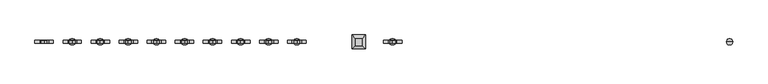
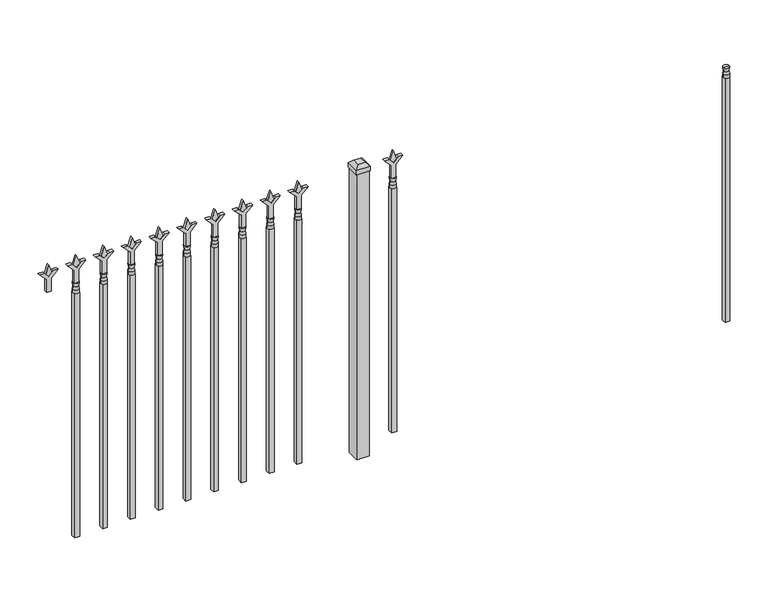
"""IFC4 building model written with IfcOpenShell, lengths in millimetres: railing geometry."""

import ifcopenshell
import ifcopenshell.guid

model = None  # the IFC model being written
_history = None  # IfcOwnerHistory: only IFC2X3 demands one
_inside = {}  # id of a spatial element -> (the spatial element, [elements in it])
_under = {}  # id of a project, library or spatial element -> (it, [spatial elements below it])
_declared = {}  # id of a project -> (the project, [libraries it declares])
_typed = {}  # id of a type object -> (the type object, [elements of that type])
_made_of = {}  # id of a material, layer set ... -> (it, [elements and type objects made of it])


def new_model(schema):
    """Start an empty IFC model of exactly this schema.

    Asked for "IFC4X3", IfcOpenShell would pick the latest addendum, in which some entities
    have other attributes; the version numbers below select the first issue.
    IFC2X3 requires an IfcOwnerHistory on every rooted entity: one is made here for all.
    """
    global model, _history
    if schema == "IFC4X3":
        model = ifcopenshell.file(schema_version=(4, 3, 0, 0))
    else:
        model = ifcopenshell.file(schema=schema)
    _inside.clear()
    _under.clear()
    _declared.clear()
    _typed.clear()
    _made_of.clear()
    _history = None
    if model.schema == "IFC2X3":
        org = make("IfcOrganization", Name="unknown")
        user = make(
            "IfcPersonAndOrganization",
            ThePerson=make("IfcPerson", FamilyName="unknown"),
            TheOrganization=org,
        )
        app = make(
            "IfcApplication",
            ApplicationDeveloper=org,
            Version="unknown",
            ApplicationFullName="unknown",
            ApplicationIdentifier="unknown",
        )
        _history = make(
            "IfcOwnerHistory",
            OwningUser=user,
            OwningApplication=app,
            ChangeAction="ADDED",
            CreationDate=0,
        )
    return model


def make(cls, **values):
    """One entity of the class cls with the attributes given. An attribute that is None is left unset."""
    return model.create_entity(
        cls, **{name: value for name, value in values.items() if value is not None}
    )


def rooted(cls, **values):
    """An entity with a GlobalId (a new one), such as an element, a storey or a relation."""
    return make(cls, GlobalId=ifcopenshell.guid.new(), OwnerHistory=_history, **values)


def si_unit(unit_type, name, prefix=None):
    """IfcSIUnit, for example si_unit("LENGTHUNIT", "METRE", prefix="MILLI")."""
    return make("IfcSIUnit", UnitType=unit_type, Prefix=prefix, Name=name)


def assignment(units):
    """IfcUnitAssignment: the units of a project."""
    return None if units is None else make("IfcUnitAssignment", Units=units)


def point(xyz):
    """IfcCartesianPoint."""
    return None if xyz is None else make("IfcCartesianPoint", Coordinates=xyz)


def direction(xyz):
    """IfcDirection."""
    return None if xyz is None else make("IfcDirection", DirectionRatios=xyz)


def frame(location, z_axis=None, x_axis=None):
    """IfcAxis2Placement3D, a coordinate frame: its origin and axes. An axis left out is left unset."""
    return make(
        "IfcAxis2Placement3D",
        Location=point(location),
        Axis=direction(z_axis),
        RefDirection=direction(x_axis),
    )


def origin():
    """The frame at (0, 0, 0) with its axes left unset."""
    return frame((0.0, 0.0, 0.0))


def origin_with_axes():
    """The frame at (0, 0, 0) with the z axis (0, 0, 1) and the x axis (1, 0, 0) written out."""
    return frame((0.0, 0.0, 0.0), z_axis=(0.0, 0.0, 1.0), x_axis=(1.0, 0.0, 0.0))


def place(relative_to, where):
    """IfcLocalPlacement: puts the frame where relative to a parent placement (None: the world)."""
    return make(
        "IfcLocalPlacement", PlacementRelTo=relative_to, RelativePlacement=where
    )


def context(
    kind, dimensions, precision=None, world=None, true_north=None, identifier=None
):
    """IfcGeometricRepresentationContext, for example the 3D "Model" context."""
    return make(
        "IfcGeometricRepresentationContext",
        ContextIdentifier=identifier,
        ContextType=kind,
        CoordinateSpaceDimension=dimensions,
        Precision=precision,
        WorldCoordinateSystem=world,
        TrueNorth=true_north,
    )


def project(units=None, contexts=None):
    """IfcProject with its units and contexts."""
    return rooted(
        "IfcProject",
        Name="project",
        RepresentationContexts=contexts,
        UnitsInContext=assignment(units),
    )


def spatial(cls, under=None, at=None, **own):
    """A site, building, storey or space (cls), placed at a placement, below another one or the project."""
    s = rooted(cls, ObjectPlacement=at, **own)
    if under is not None:
        _under.setdefault(under.id(), (under, []))[1].append(s)
    return s


def polyline(points):
    """IfcPolyline through the points."""
    return make("IfcPolyline", Points=[point(p) for p in points])


def circle_curve(where, radius):
    """IfcCircle in the frame where."""
    return make("IfcCircle", Position=where, Radius=radius)


def outline(outer, holes=None, kind="AREA"):
    """IfcArbitraryClosedProfileDef: a profile drawn as a closed curve; with holes, ...WithVoids."""
    if holes is None:
        return make("IfcArbitraryClosedProfileDef", ProfileType=kind, OuterCurve=outer)
    return make(
        "IfcArbitraryProfileDefWithVoids",
        ProfileType=kind,
        OuterCurve=outer,
        InnerCurves=holes,
    )


def extrude(swept, where, along, depth):
    """IfcExtrudedAreaSolid: the profile swept, set in the frame where, extruded along a direction by depth."""
    return make(
        "IfcExtrudedAreaSolid",
        SweptArea=swept,
        Position=where,
        ExtrudedDirection=direction(along),
        Depth=depth,
    )


def faces_of(points, faces, orient=None, outer=None):
    """IfcFace entities. A face is a list of loops; a loop is a list of indices into points, from 0.

    orient and outer hold one flag for each loop. By default every Orientation is true, the
    first loop of a face is its IfcFaceOuterBound and the others are IfcFaceBound.
    """
    made = []
    for i, loops in enumerate(faces):
        bounds = []
        for j, loop in enumerate(loops):
            is_outer = j == 0 if outer is None else outer[i][j]
            bounds.append(
                make(
                    "IfcFaceOuterBound" if is_outer else "IfcFaceBound",
                    Bound=make("IfcPolyLoop", Polygon=[points[k] for k in loop]),
                    Orientation=True if orient is None else orient[i][j],
                )
            )
        made.append(make("IfcFace", Bounds=bounds))
    return made


def faceted_brep(points, faces, orient=None, outer=None, voids=None):
    """IfcFacetedBrep: a solid bounded by flat faces; with voids (closed shells), ...WithVoids."""
    shared = [point(p) for p in points]
    hull = make("IfcClosedShell", CfsFaces=faces_of(shared, faces, orient, outer))
    if voids is None:
        return make("IfcFacetedBrep", Outer=hull)
    return make(
        "IfcFacetedBrepWithVoids",
        Outer=hull,
        Voids=[
            make(cls, CfsFaces=faces_of(shared, fs, o, b)) for cls, fs, o, b in voids
        ],
    )


def shape(context_of_items, identifier, shape_type, items):
    """IfcShapeRepresentation: the items that make up one representation, for example the "Body"."""
    return make(
        "IfcShapeRepresentation",
        ContextOfItems=context_of_items,
        RepresentationIdentifier=identifier,
        RepresentationType=shape_type,
        Items=items,
    )


def source(mapping_origin, context_of_items, identifier, shape_type, items):
    """IfcRepresentationMap: a shape defined once, which mapped items show again and again."""
    return make(
        "IfcRepresentationMap",
        MappingOrigin=mapping_origin,
        MappedRepresentation=shape(context_of_items, identifier, shape_type, items),
    )


def transform(
    local_origin,
    x_axis=None,
    y_axis=None,
    z_axis=None,
    scale=None,
    scale2=None,
    scale3=None,
    uniform=True,
):
    """IfcCartesianTransformationOperator3D, or its non-uniform kind. x_axis, y_axis, z_axis: its Axis1, 2, 3."""
    if uniform:
        return make(
            "IfcCartesianTransformationOperator3D",
            Axis1=direction(x_axis),
            Axis2=direction(y_axis),
            LocalOrigin=point(local_origin),
            Scale=scale,
            Axis3=direction(z_axis),
        )
    return make(
        "IfcCartesianTransformationOperator3DnonUniform",
        Axis1=direction(x_axis),
        Axis2=direction(y_axis),
        LocalOrigin=point(local_origin),
        Scale=scale,
        Axis3=direction(z_axis),
        Scale2=scale2,
        Scale3=scale3,
    )


def mapped(mapping_source, mapping_target):
    """IfcMappedItem: shows the shape of a source again, moved by a transform."""
    return make(
        "IfcMappedItem", MappingSource=mapping_source, MappingTarget=mapping_target
    )


def made_of(thing, what):
    """Note that an element or type object is made of a material, layer set ...; save() writes the relation."""
    if what is not None:
        _made_of.setdefault(what.id(), (what, []))[1].append(thing)
    return thing


def element(
    cls,
    number,
    at=None,
    inside=None,
    cuts=None,
    type_object=None,
    material=None,
    context=None,
    identifier="Body",
    shape_type=None,
    held_by="IfcProductDefinitionShape",
    body=None,
    shapes=None,
    **own,
):
    """One element of the class cls, such as IfcWall. Its Tag is "e" and its number.

    at: its placement. inside: the storey or other place that contains it. cuts: it is an
    opening in that element (IfcRelVoidsElement). A single representation is given by context,
    identifier, shape_type and body (its items); several are given by shapes. held_by: the class
    of the entity that holds the representations. save() writes the other relations.
    """
    e = rooted(cls, Tag="e%d" % number, ObjectPlacement=at, **own)
    if body is not None:
        shapes = [shape(context, identifier, shape_type, body)]
    if shapes is not None:
        e.Representation = make(held_by, Representations=shapes)
    if inside is not None:
        _inside.setdefault(inside.id(), (inside, []))[1].append(e)
    if cuts is not None:
        rooted(
            "IfcRelVoidsElement", RelatingBuildingElement=cuts, RelatedOpeningElement=e
        )
    if type_object is not None:
        _typed.setdefault(type_object.id(), (type_object, []))[1].append(e)
    return made_of(e, material)


def aggregate(whole, parts):
    """IfcRelAggregates: a whole, such as a stair, and the parts it consists of."""
    return rooted("IfcRelAggregates", RelatingObject=whole, RelatedObjects=parts)


def save(model, path):
    """Write the relations noted so far, then the file.

    IfcRelAggregates (storeys below a building ...), IfcRelContainedInSpatialStructure (elements
    in a storey), IfcRelDefinesByType, IfcRelAssociatesMaterial and IfcRelDeclares: one each for
    every whole, place, type object, material and project.
    """
    for whole, parts in _under.values():
        aggregate(whole, parts)
    for where, things in _inside.values():
        rooted(
            "IfcRelContainedInSpatialStructure",
            RelatedElements=things,
            RelatingStructure=where,
        )
    for kind, things in _typed.values():
        rooted("IfcRelDefinesByType", RelatedObjects=things, RelatingType=kind)
    for what, things in _made_of.values():
        rooted("IfcRelAssociatesMaterial", RelatedObjects=things, RelatingMaterial=what)
    for by, libraries in _declared.values():
        rooted("IfcRelDeclares", RelatingContext=by, RelatedDefinitions=libraries)
    model.write(path)


def plane_surface(at):
    """IfcPlane: the flat surface through the origin of the frame at, square to its z axis."""
    return make("IfcPlane", Position=at)


def cylinder_surface(at, radius):
    """IfcCylindricalSurface: all points at the distance radius from the z axis of the frame at."""
    return make("IfcCylindricalSurface", Position=at, Radius=radius)


def revolved_surface(curve, axis_point, axis_direction):
    """IfcSurfaceOfRevolution: the curve turned about the line through axis_point along axis_direction."""
    return make(
        "IfcSurfaceOfRevolution",
        SweptCurve=make("IfcArbitraryOpenProfileDef", ProfileType="CURVE", Curve=curve),
        AxisPosition=make("IfcAxis1Placement", Location=point(axis_point), Axis=direction(axis_direction)),
    )


def advanced_brep(points, edges, surfaces, faces):
    """IfcAdvancedBrep: a solid bounded by faces that lie on surfaces and meet in shared edges.

    An edge is (start, end): straight between two places in points (the first is 0);
    or (start, end, curve); or (start, end, curve, False) where it runs against its curve.
    A face is (place in surfaces, loops), or (place, loops, False) where it looks against
    its surface's normal. A loop lists edges by number (the first is 1), with a minus sign
    where the edge is run from its end to its start. The first loop is the outer one.
    """
    corners = [point(p) for p in points]
    vertices = [make("IfcVertexPoint", VertexGeometry=c) for c in corners]
    made = []
    for start, end, *more in edges:
        made.append(
            make(
                "IfcEdgeCurve",
                EdgeStart=vertices[start],
                EdgeEnd=vertices[end],
                EdgeGeometry=more[0] if more else make("IfcPolyline", Points=[corners[start], corners[end]]),
                SameSense=more[1] if len(more) > 1 else True,
            )
        )
    hull = []
    for where, loops, *sense in faces:
        bounds = []
        for j, loop in enumerate(loops):
            ring = [make("IfcOrientedEdge", EdgeElement=made[abs(k) - 1], Orientation=k > 0) for k in loop]
            bounds.append(
                make(
                    "IfcFaceOuterBound" if j == 0 else "IfcFaceBound",
                    Bound=make("IfcEdgeLoop", EdgeList=ring),
                    Orientation=True,
                )
            )
        hull.append(make("IfcAdvancedFace", Bounds=bounds, FaceSurface=surfaces[where], SameSense=sense[0] if sense else True))
    return make("IfcAdvancedBrep", Outer=make("IfcClosedShell", CfsFaces=hull))


def railing_f10aff00(model_context):
    return source(origin(), model_context, "Body", "SolidModel", [
        advanced_brep(
        [(-76603.574337, -3073.6570174, 1079.5), (-76627.386837, -3073.6570174, 1079.5), (-76627.386837, -3073.6570174, 1066.8), (-76603.574337, -3073.6570174, 1066.8), (-76605.7796688, -3073.6570174, 1092.0070585), (-76625.1815051, -3073.6570174, 1092.0070585), (-76603.574337, -3073.6570174, 1108.075), (-76627.386837, -3073.6570174, 1108.075), (-76615.480587, -3073.6570174, 1108.075), (-76615.480587, -3073.6570174, 1066.8)],
        [
            (0, 1, circle_curve(frame((-76615.480587, -3073.6570174, 1079.5), z_axis=(0.0, 0.0, -1.0), x_axis=(-1.0, 0.0, 0.0)), 11.90625)),
            (1, 2),
            (2, 3, circle_curve(frame((-76615.480587, -3073.6570174, 1066.8), z_axis=(0.0, 0.0, 1.0), x_axis=(-1.0, 0.0, 0.0)), 11.90625)),
            (3, 0),
            (1, 0, circle_curve(frame((-76615.480587, -3073.6570174, 1079.5), z_axis=(0.0, 0.0, -1.0), x_axis=(-1.0, 0.0, 0.0)), 11.90625)),
            (3, 2, circle_curve(frame((-76615.480587, -3073.6570174, 1066.8), z_axis=(0.0, 0.0, 1.0), x_axis=(-1.0, 0.0, 0.0)), 11.90625)),
            (4, 5, circle_curve(frame((-76615.480587, -3073.6570174, 1092.0070585), z_axis=(0.0, 0.0, -1.0), x_axis=(-1.0, 0.0, 0.0)), 9.7009181)),
            (5, 1),
            (0, 4),
            (5, 4, circle_curve(frame((-76615.480587, -3073.6570174, 1092.0070585), z_axis=(0.0, 0.0, -1.0), x_axis=(-1.0, 0.0, 0.0)), 9.7009181)),
            (6, 7, circle_curve(frame((-76615.480587, -3073.6570174, 1108.075), z_axis=(0.0, 0.0, -1.0), x_axis=(-1.0, 0.0, 0.0)), 11.90625)),
            (7, 5),
            (4, 6),
            (7, 6, circle_curve(frame((-76615.480587, -3073.6570174, 1108.075), z_axis=(0.0, 0.0, -1.0), x_axis=(-1.0, 0.0, 0.0)), 11.90625)),
            (8, 7),
            (6, 8),
            (2, 9),
            (9, 3),
        ],
        [
            cylinder_surface(frame((-76615.480587, -3073.6570174, 1066.8), z_axis=(0.0, 0.0, 1.0), x_axis=(-1.0, 0.0, 0.0)), 11.90625),
            revolved_surface(polyline([(-76627.386837, -3073.6570174, 1079.5), (-76625.1815051, -3073.6570174, 1092.0070585)]), (-76615.480587, -3073.6570174, 1066.8), (0.0, 0.0, 1.0)),
            revolved_surface(polyline([(-76625.1815051, -3073.6570174, 1092.0070585), (-76627.386837, -3073.6570174, 1108.075)]), (-76615.480587, -3073.6570174, 1066.8), (0.0, 0.0, 1.0)),
            plane_surface(frame((-76615.480587, -3073.6570174, 1108.075), z_axis=(0.0, 0.0, 1.0), x_axis=(-1.0, 0.0, 0.0))),
            plane_surface(frame((-76615.480587, -3073.6570174, 1066.8), z_axis=(0.0, 0.0, -1.0), x_axis=(-1.0, 0.0, 0.0))),
        ],
        [
            (0, [[1, 2, 3, 4]]),
            (0, [[5, -4, 6, -2]]),
            (1, [[7, 8, -1, 9]]),
            (1, [[10, -9, -5, -8]]),
            (2, [[11, 12, -7, 13]]),
            (2, [[14, -13, -10, -12]]),
            (3, [[15, -11, 16]]),
            (3, [[-16, -14, -15]]),
            (4, [[-3, 17, 18]]),
            (4, [[-6, -18, -17]]),
        ],
    ),
        extrude(outline(polyline([(-76625.005587, -3064.1320174), (-76605.955587, -3064.1320174), (-76605.955587, -3083.1820174), (-76625.005587, -3083.1820174), (-76625.005587, -3064.1320174)])), frame((0.0, 0.0, 50.8), z_axis=(0.0, 0.0, 1.0), x_axis=(1.0, 0.0, 0.0)), (0.0, 0.0, 1.0), 1016.0),
        extrude(outline(polyline([(1183.48125, -77914.849337), (1219.2, -77926.755587), (1183.48125, -77938.661837), (1171.575, -77926.755587), (1183.48125, -77914.849337)])), frame((0.0, -3078.4195174, 0.0), z_axis=(0.0, 1.0, 0.0), x_axis=(0.0, 0.0, 1.0)), (0.0, 0.0, 1.0), 9.525),
        extrude(outline(polyline([(1108.075, -77918.024337), (1162.3457378, -77918.024337), (1189.5355122, -77890.8345625), (1189.5355122, -77908.7950747), (1171.575, -77926.755587), (1189.5355122, -77944.7160992), (1189.5355122, -77962.6766114), (1162.3457378, -77935.486837), (1108.075, -77935.486837), (1108.075, -77918.024337)])), frame((0.0, -3080.0070174, 0.0), z_axis=(0.0, 1.0, 0.0), x_axis=(0.0, 0.0, 1.0)), (0.0, 0.0, 1.0), 12.7),
        advanced_brep(
        [(-77914.849337, -3073.6570174, 1079.5), (-77938.661837, -3073.6570174, 1079.5), (-77938.661837, -3073.6570174, 1066.8), (-77914.849337, -3073.6570174, 1066.8), (-77917.0546688, -3073.6570174, 1092.0070585), (-77936.4565051, -3073.6570174, 1092.0070585), (-77914.849337, -3073.6570174, 1108.075), (-77938.661837, -3073.6570174, 1108.075), (-77926.755587, -3073.6570174, 1108.075), (-77926.755587, -3073.6570174, 1066.8)],
        [
            (0, 1, circle_curve(frame((-77926.755587, -3073.6570174, 1079.5), z_axis=(0.0, 0.0, -1.0), x_axis=(-1.0, 0.0, 0.0)), 11.90625)),
            (1, 2),
            (2, 3, circle_curve(frame((-77926.755587, -3073.6570174, 1066.8), z_axis=(0.0, 0.0, 1.0), x_axis=(-1.0, 0.0, 0.0)), 11.90625)),
            (3, 0),
            (1, 0, circle_curve(frame((-77926.755587, -3073.6570174, 1079.5), z_axis=(0.0, 0.0, -1.0), x_axis=(-1.0, 0.0, 0.0)), 11.90625)),
            (3, 2, circle_curve(frame((-77926.755587, -3073.6570174, 1066.8), z_axis=(0.0, 0.0, 1.0), x_axis=(-1.0, 0.0, 0.0)), 11.90625)),
            (4, 5, circle_curve(frame((-77926.755587, -3073.6570174, 1092.0070585), z_axis=(0.0, 0.0, -1.0), x_axis=(-1.0, 0.0, 0.0)), 9.7009181)),
            (5, 1),
            (0, 4),
            (5, 4, circle_curve(frame((-77926.755587, -3073.6570174, 1092.0070585), z_axis=(0.0, 0.0, -1.0), x_axis=(-1.0, 0.0, 0.0)), 9.7009181)),
            (6, 7, circle_curve(frame((-77926.755587, -3073.6570174, 1108.075), z_axis=(0.0, 0.0, -1.0), x_axis=(-1.0, 0.0, 0.0)), 11.90625)),
            (7, 5),
            (4, 6),
            (7, 6, circle_curve(frame((-77926.755587, -3073.6570174, 1108.075), z_axis=(0.0, 0.0, -1.0), x_axis=(-1.0, 0.0, 0.0)), 11.90625)),
            (8, 7),
            (6, 8),
            (2, 9),
            (9, 3),
        ],
        [
            cylinder_surface(frame((-77926.755587, -3073.6570174, 1066.8), z_axis=(0.0, 0.0, 1.0), x_axis=(-1.0, 0.0, 0.0)), 11.90625),
            revolved_surface(polyline([(-77938.661837, -3073.6570174, 1079.5), (-77936.4565051, -3073.6570174, 1092.0070585)]), (-77926.755587, -3073.6570174, 1066.8), (0.0, 0.0, 1.0)),
            revolved_surface(polyline([(-77936.4565051, -3073.6570174, 1092.0070585), (-77938.661837, -3073.6570174, 1108.075)]), (-77926.755587, -3073.6570174, 1066.8), (0.0, 0.0, 1.0)),
            plane_surface(frame((-77926.755587, -3073.6570174, 1108.075), z_axis=(0.0, 0.0, 1.0), x_axis=(-1.0, 0.0, 0.0))),
            plane_surface(frame((-77926.755587, -3073.6570174, 1066.8), z_axis=(0.0, 0.0, -1.0), x_axis=(-1.0, 0.0, 0.0))),
        ],
        [
            (0, [[1, 2, 3, 4]]),
            (0, [[5, -4, 6, -2]]),
            (1, [[7, 8, -1, 9]]),
            (1, [[10, -9, -5, -8]]),
            (2, [[11, 12, -7, 13]]),
            (2, [[14, -13, -10, -12]]),
            (3, [[15, -11, 16]]),
            (3, [[-16, -14, -15]]),
            (4, [[-3, 17, 18]]),
            (4, [[-6, -18, -17]]),
        ],
    ),
        extrude(outline(polyline([(-77936.280587, -3064.1320174), (-77917.230587, -3064.1320174), (-77917.230587, -3083.1820174), (-77936.280587, -3083.1820174), (-77936.280587, -3064.1320174)])), frame((0.0, 0.0, 50.8), z_axis=(0.0, 0.0, 1.0), x_axis=(1.0, 0.0, 0.0)), (0.0, 0.0, 1.0), 1016.0),
        extrude(outline(polyline([(-78033.118087, -3048.2570174), (-78033.118087, -3099.0570174), (-78083.918087, -3099.0570174), (-78083.918087, -3048.2570174), (-78033.118087, -3048.2570174)])), origin_with_axes(), (0.0, 0.0, 1.0), 1187.45),
        faceted_brep([(-78085.505587, -3046.6695174, 1206.5), (-78085.505587, -3046.6695174, 1187.45), (-78085.505587, -3100.6445174, 1187.45), (-78085.505587, -3100.6445174, 1206.5), (-78072.805587, -3059.3695174, 1219.2), (-78072.805587, -3087.9445174, 1219.2), (-78031.530587, -3100.6445174, 1187.45), (-78031.530587, -3100.6445174, 1206.5), (-78044.230587, -3087.9445174, 1219.2), (-78031.530587, -3046.6695174, 1187.45), (-78031.530587, -3046.6695174, 1206.5), (-78044.230587, -3059.3695174, 1219.2)], [[[0, 1, 2, 3]], [[4, 0, 3, 5]], [[3, 2, 6, 7]], [[5, 3, 7, 8]], [[7, 6, 9, 10]], [[8, 7, 10, 11]], [[10, 9, 1, 0]], [[11, 10, 0, 4]], [[5, 8, 11, 4]], [[1, 9, 6, 2]]]),
        extrude(outline(polyline([(1183.48125, -78287.6472536), (1219.2, -78299.5535036), (1183.48125, -78311.4597536), (1171.575, -78299.5535036), (1183.48125, -78287.6472536)])), frame((0.0, -3078.4195174, 0.0), z_axis=(0.0, 1.0, 0.0), x_axis=(0.0, 0.0, 1.0)), (0.0, 0.0, 1.0), 9.525),
        extrude(outline(polyline([(1108.075, -78290.8222536), (1162.3457378, -78290.8222536), (1189.5355122, -78263.6324791), (1189.5355122, -78281.5929914), (1171.575, -78299.5535036), (1189.5355122, -78317.5140159), (1189.5355122, -78335.4745281), (1162.3457378, -78308.2847536), (1108.075, -78308.2847536), (1108.075, -78290.8222536)])), frame((0.0, -3080.0070174, 0.0), z_axis=(0.0, 1.0, 0.0), x_axis=(0.0, 0.0, 1.0)), (0.0, 0.0, 1.0), 12.7),
        advanced_brep(
        [(-78287.6472536, -3073.6570174, 1079.5), (-78311.4597536, -3073.6570174, 1079.5), (-78311.4597536, -3073.6570174, 1066.8), (-78287.6472536, -3073.6570174, 1066.8), (-78289.8525855, -3073.6570174, 1092.0070585), (-78309.2544218, -3073.6570174, 1092.0070585), (-78287.6472536, -3073.6570174, 1108.075), (-78311.4597536, -3073.6570174, 1108.075), (-78299.5535036, -3073.6570174, 1108.075), (-78299.5535036, -3073.6570174, 1066.8)],
        [
            (0, 1, circle_curve(frame((-78299.5535036, -3073.6570174, 1079.5), z_axis=(0.0, 0.0, -1.0), x_axis=(-1.0, 0.0, 0.0)), 11.90625)),
            (1, 2),
            (2, 3, circle_curve(frame((-78299.5535036, -3073.6570174, 1066.8), z_axis=(0.0, 0.0, 1.0), x_axis=(-1.0, 0.0, 0.0)), 11.90625)),
            (3, 0),
            (1, 0, circle_curve(frame((-78299.5535036, -3073.6570174, 1079.5), z_axis=(0.0, 0.0, -1.0), x_axis=(-1.0, 0.0, 0.0)), 11.90625)),
            (3, 2, circle_curve(frame((-78299.5535036, -3073.6570174, 1066.8), z_axis=(0.0, 0.0, 1.0), x_axis=(-1.0, 0.0, 0.0)), 11.90625)),
            (4, 5, circle_curve(frame((-78299.5535036, -3073.6570174, 1092.0070585), z_axis=(0.0, 0.0, -1.0), x_axis=(-1.0, 0.0, 0.0)), 9.7009181)),
            (5, 1),
            (0, 4),
            (5, 4, circle_curve(frame((-78299.5535036, -3073.6570174, 1092.0070585), z_axis=(0.0, 0.0, -1.0), x_axis=(-1.0, 0.0, 0.0)), 9.7009181)),
            (6, 7, circle_curve(frame((-78299.5535036, -3073.6570174, 1108.075), z_axis=(0.0, 0.0, -1.0), x_axis=(-1.0, 0.0, 0.0)), 11.90625)),
            (7, 5),
            (4, 6),
            (7, 6, circle_curve(frame((-78299.5535036, -3073.6570174, 1108.075), z_axis=(0.0, 0.0, -1.0), x_axis=(-1.0, 0.0, 0.0)), 11.90625)),
            (8, 7),
            (6, 8),
            (2, 9),
            (9, 3),
        ],
        [
            cylinder_surface(frame((-78299.5535036, -3073.6570174, 1066.8), z_axis=(0.0, 0.0, 1.0), x_axis=(-1.0, 0.0, 0.0)), 11.90625),
            revolved_surface(polyline([(-78311.4597536, -3073.6570174, 1079.5), (-78309.2544218, -3073.6570174, 1092.0070585)]), (-78299.5535036, -3073.6570174, 1066.8), (0.0, 0.0, 1.0)),
            revolved_surface(polyline([(-78309.2544218, -3073.6570174, 1092.0070585), (-78311.4597536, -3073.6570174, 1108.075)]), (-78299.5535036, -3073.6570174, 1066.8), (0.0, 0.0, 1.0)),
            plane_surface(frame((-78299.5535036, -3073.6570174, 1108.075), z_axis=(0.0, 0.0, 1.0), x_axis=(-1.0, 0.0, 0.0))),
            plane_surface(frame((-78299.5535036, -3073.6570174, 1066.8), z_axis=(0.0, 0.0, -1.0), x_axis=(-1.0, 0.0, 0.0))),
        ],
        [
            (0, [[1, 2, 3, 4]]),
            (0, [[5, -4, 6, -2]]),
            (1, [[7, 8, -1, 9]]),
            (1, [[10, -9, -5, -8]]),
            (2, [[11, 12, -7, 13]]),
            (2, [[14, -13, -10, -12]]),
            (3, [[15, -11, 16]]),
            (3, [[-16, -14, -15]]),
            (4, [[-3, 17, 18]]),
            (4, [[-6, -18, -17]]),
        ],
    ),
        extrude(outline(polyline([(-78309.0785036, -3064.1320174), (-78290.0285036, -3064.1320174), (-78290.0285036, -3083.1820174), (-78309.0785036, -3083.1820174), (-78309.0785036, -3064.1320174)])), frame((0.0, 0.0, 50.8), z_axis=(0.0, 0.0, 1.0), x_axis=(1.0, 0.0, 0.0)), (0.0, 0.0, 1.0), 1016.0),
        extrude(outline(polyline([(1183.48125, -78396.9201703), (1219.2, -78408.8264203), (1183.48125, -78420.7326703), (1171.575, -78408.8264203), (1183.48125, -78396.9201703)])), frame((0.0, -3078.4195174, 0.0), z_axis=(0.0, 1.0, 0.0), x_axis=(0.0, 0.0, 1.0)), (0.0, 0.0, 1.0), 9.525),
        extrude(outline(polyline([(1108.075, -78400.0951703), (1162.3457378, -78400.0951703), (1189.5355122, -78372.9053958), (1189.5355122, -78390.8659081), (1171.575, -78408.8264203), (1189.5355122, -78426.7869325), (1189.5355122, -78444.7474448), (1162.3457378, -78417.5576703), (1108.075, -78417.5576703), (1108.075, -78400.0951703)])), frame((0.0, -3080.0070174, 0.0), z_axis=(0.0, 1.0, 0.0), x_axis=(0.0, 0.0, 1.0)), (0.0, 0.0, 1.0), 12.7),
        advanced_brep(
        [(-78396.9201703, -3073.6570174, 1079.5), (-78420.7326703, -3073.6570174, 1079.5), (-78420.7326703, -3073.6570174, 1066.8), (-78396.9201703, -3073.6570174, 1066.8), (-78399.1255022, -3073.6570174, 1092.0070585), (-78418.5273384, -3073.6570174, 1092.0070585), (-78396.9201703, -3073.6570174, 1108.075), (-78420.7326703, -3073.6570174, 1108.075), (-78408.8264203, -3073.6570174, 1108.075), (-78408.8264203, -3073.6570174, 1066.8)],
        [
            (0, 1, circle_curve(frame((-78408.8264203, -3073.6570174, 1079.5), z_axis=(0.0, 0.0, -1.0), x_axis=(-1.0, 0.0, 0.0)), 11.90625)),
            (1, 2),
            (2, 3, circle_curve(frame((-78408.8264203, -3073.6570174, 1066.8), z_axis=(0.0, 0.0, 1.0), x_axis=(-1.0, 0.0, 0.0)), 11.90625)),
            (3, 0),
            (1, 0, circle_curve(frame((-78408.8264203, -3073.6570174, 1079.5), z_axis=(0.0, 0.0, -1.0), x_axis=(-1.0, 0.0, 0.0)), 11.90625)),
            (3, 2, circle_curve(frame((-78408.8264203, -3073.6570174, 1066.8), z_axis=(0.0, 0.0, 1.0), x_axis=(-1.0, 0.0, 0.0)), 11.90625)),
            (4, 5, circle_curve(frame((-78408.8264203, -3073.6570174, 1092.0070585), z_axis=(0.0, 0.0, -1.0), x_axis=(-1.0, 0.0, 0.0)), 9.7009181)),
            (5, 1),
            (0, 4),
            (5, 4, circle_curve(frame((-78408.8264203, -3073.6570174, 1092.0070585), z_axis=(0.0, 0.0, -1.0), x_axis=(-1.0, 0.0, 0.0)), 9.7009181)),
            (6, 7, circle_curve(frame((-78408.8264203, -3073.6570174, 1108.075), z_axis=(0.0, 0.0, -1.0), x_axis=(-1.0, 0.0, 0.0)), 11.90625)),
            (7, 5),
            (4, 6),
            (7, 6, circle_curve(frame((-78408.8264203, -3073.6570174, 1108.075), z_axis=(0.0, 0.0, -1.0), x_axis=(-1.0, 0.0, 0.0)), 11.90625)),
            (8, 7),
            (6, 8),
            (2, 9),
            (9, 3),
        ],
        [
            cylinder_surface(frame((-78408.8264203, -3073.6570174, 1066.8), z_axis=(0.0, 0.0, 1.0), x_axis=(-1.0, 0.0, 0.0)), 11.90625),
            revolved_surface(polyline([(-78420.7326703, -3073.6570174, 1079.5), (-78418.5273384, -3073.6570174, 1092.0070585)]), (-78408.8264203, -3073.6570174, 1066.8), (0.0, 0.0, 1.0)),
            revolved_surface(polyline([(-78418.5273384, -3073.6570174, 1092.0070585), (-78420.7326703, -3073.6570174, 1108.075)]), (-78408.8264203, -3073.6570174, 1066.8), (0.0, 0.0, 1.0)),
            plane_surface(frame((-78408.8264203, -3073.6570174, 1108.075), z_axis=(0.0, 0.0, 1.0), x_axis=(-1.0, 0.0, 0.0))),
            plane_surface(frame((-78408.8264203, -3073.6570174, 1066.8), z_axis=(0.0, 0.0, -1.0), x_axis=(-1.0, 0.0, 0.0))),
        ],
        [
            (0, [[1, 2, 3, 4]]),
            (0, [[5, -4, 6, -2]]),
            (1, [[7, 8, -1, 9]]),
            (1, [[10, -9, -5, -8]]),
            (2, [[11, 12, -7, 13]]),
            (2, [[14, -13, -10, -12]]),
            (3, [[15, -11, 16]]),
            (3, [[-16, -14, -15]]),
            (4, [[-3, 17, 18]]),
            (4, [[-6, -18, -17]]),
        ],
    ),
        extrude(outline(polyline([(-78418.3514203, -3064.1320174), (-78399.3014203, -3064.1320174), (-78399.3014203, -3083.1820174), (-78418.3514203, -3083.1820174), (-78418.3514203, -3064.1320174)])), frame((0.0, 0.0, 50.8), z_axis=(0.0, 0.0, 1.0), x_axis=(1.0, 0.0, 0.0)), (0.0, 0.0, 1.0), 1016.0),
        extrude(outline(polyline([(1183.48125, -78506.193087), (1219.2, -78518.099337), (1183.48125, -78530.005587), (1171.575, -78518.099337), (1183.48125, -78506.193087)])), frame((0.0, -3078.4195174, 0.0), z_axis=(0.0, 1.0, 0.0), x_axis=(0.0, 0.0, 1.0)), (0.0, 0.0, 1.0), 9.525),
        extrude(outline(polyline([(1108.075, -78509.368087), (1162.3457378, -78509.368087), (1189.5355122, -78482.1783125), (1189.5355122, -78500.1388247), (1171.575, -78518.099337), (1189.5355122, -78536.0598492), (1189.5355122, -78554.0203614), (1162.3457378, -78526.830587), (1108.075, -78526.830587), (1108.075, -78509.368087)])), frame((0.0, -3080.0070174, 0.0), z_axis=(0.0, 1.0, 0.0), x_axis=(0.0, 0.0, 1.0)), (0.0, 0.0, 1.0), 12.7),
        advanced_brep(
        [(-78506.193087, -3073.6570174, 1079.5), (-78530.005587, -3073.6570174, 1079.5), (-78530.005587, -3073.6570174, 1066.8), (-78506.193087, -3073.6570174, 1066.8), (-78508.3984188, -3073.6570174, 1092.0070585), (-78527.8002551, -3073.6570174, 1092.0070585), (-78506.193087, -3073.6570174, 1108.075), (-78530.005587, -3073.6570174, 1108.075), (-78518.099337, -3073.6570174, 1108.075), (-78518.099337, -3073.6570174, 1066.8)],
        [
            (0, 1, circle_curve(frame((-78518.099337, -3073.6570174, 1079.5), z_axis=(0.0, 0.0, -1.0), x_axis=(-1.0, 0.0, 0.0)), 11.90625)),
            (1, 2),
            (2, 3, circle_curve(frame((-78518.099337, -3073.6570174, 1066.8), z_axis=(0.0, 0.0, 1.0), x_axis=(-1.0, 0.0, 0.0)), 11.90625)),
            (3, 0),
            (1, 0, circle_curve(frame((-78518.099337, -3073.6570174, 1079.5), z_axis=(0.0, 0.0, -1.0), x_axis=(-1.0, 0.0, 0.0)), 11.90625)),
            (3, 2, circle_curve(frame((-78518.099337, -3073.6570174, 1066.8), z_axis=(0.0, 0.0, 1.0), x_axis=(-1.0, 0.0, 0.0)), 11.90625)),
            (4, 5, circle_curve(frame((-78518.099337, -3073.6570174, 1092.0070585), z_axis=(0.0, 0.0, -1.0), x_axis=(-1.0, 0.0, 0.0)), 9.7009181)),
            (5, 1),
            (0, 4),
            (5, 4, circle_curve(frame((-78518.099337, -3073.6570174, 1092.0070585), z_axis=(0.0, 0.0, -1.0), x_axis=(-1.0, 0.0, 0.0)), 9.7009181)),
            (6, 7, circle_curve(frame((-78518.099337, -3073.6570174, 1108.075), z_axis=(0.0, 0.0, -1.0), x_axis=(-1.0, 0.0, 0.0)), 11.90625)),
            (7, 5),
            (4, 6),
            (7, 6, circle_curve(frame((-78518.099337, -3073.6570174, 1108.075), z_axis=(0.0, 0.0, -1.0), x_axis=(-1.0, 0.0, 0.0)), 11.90625)),
            (8, 7),
            (6, 8),
            (2, 9),
            (9, 3),
        ],
        [
            cylinder_surface(frame((-78518.099337, -3073.6570174, 1066.8), z_axis=(0.0, 0.0, 1.0), x_axis=(-1.0, 0.0, 0.0)), 11.90625),
            revolved_surface(polyline([(-78530.005587, -3073.6570174, 1079.5), (-78527.8002551, -3073.6570174, 1092.0070585)]), (-78518.099337, -3073.6570174, 1066.8), (0.0, 0.0, 1.0)),
            revolved_surface(polyline([(-78527.8002551, -3073.6570174, 1092.0070585), (-78530.005587, -3073.6570174, 1108.075)]), (-78518.099337, -3073.6570174, 1066.8), (0.0, 0.0, 1.0)),
            plane_surface(frame((-78518.099337, -3073.6570174, 1108.075), z_axis=(0.0, 0.0, 1.0), x_axis=(-1.0, 0.0, 0.0))),
            plane_surface(frame((-78518.099337, -3073.6570174, 1066.8), z_axis=(0.0, 0.0, -1.0), x_axis=(-1.0, 0.0, 0.0))),
        ],
        [
            (0, [[1, 2, 3, 4]]),
            (0, [[5, -4, 6, -2]]),
            (1, [[7, 8, -1, 9]]),
            (1, [[10, -9, -5, -8]]),
            (2, [[11, 12, -7, 13]]),
            (2, [[14, -13, -10, -12]]),
            (3, [[15, -11, 16]]),
            (3, [[-16, -14, -15]]),
            (4, [[-3, 17, 18]]),
            (4, [[-6, -18, -17]]),
        ],
    ),
        extrude(outline(polyline([(-78527.624337, -3064.1320174), (-78508.574337, -3064.1320174), (-78508.574337, -3083.1820174), (-78527.624337, -3083.1820174), (-78527.624337, -3064.1320174)])), frame((0.0, 0.0, 50.8), z_axis=(0.0, 0.0, 1.0), x_axis=(1.0, 0.0, 0.0)), (0.0, 0.0, 1.0), 1016.0),
        extrude(outline(polyline([(1183.48125, -78615.4660036), (1219.2, -78627.3722536), (1183.48125, -78639.2785036), (1171.575, -78627.3722536), (1183.48125, -78615.4660036)])), frame((0.0, -3078.4195174, 0.0), z_axis=(0.0, 1.0, 0.0), x_axis=(0.0, 0.0, 1.0)), (0.0, 0.0, 1.0), 9.525),
        extrude(outline(polyline([(1108.075, -78618.6410036), (1162.3457378, -78618.6410036), (1189.5355122, -78591.4512291), (1189.5355122, -78609.4117414), (1171.575, -78627.3722536), (1189.5355122, -78645.3327659), (1189.5355122, -78663.2932781), (1162.3457378, -78636.1035036), (1108.075, -78636.1035036), (1108.075, -78618.6410036)])), frame((0.0, -3080.0070174, 0.0), z_axis=(0.0, 1.0, 0.0), x_axis=(0.0, 0.0, 1.0)), (0.0, 0.0, 1.0), 12.7),
        advanced_brep(
        [(-78615.4660036, -3073.6570174, 1079.5), (-78639.2785036, -3073.6570174, 1079.5), (-78639.2785036, -3073.6570174, 1066.8), (-78615.4660036, -3073.6570174, 1066.8), (-78617.6713355, -3073.6570174, 1092.0070585), (-78637.0731718, -3073.6570174, 1092.0070585), (-78615.4660036, -3073.6570174, 1108.075), (-78639.2785036, -3073.6570174, 1108.075), (-78627.3722536, -3073.6570174, 1108.075), (-78627.3722536, -3073.6570174, 1066.8)],
        [
            (0, 1, circle_curve(frame((-78627.3722536, -3073.6570174, 1079.5), z_axis=(0.0, 0.0, -1.0), x_axis=(-1.0, 0.0, 0.0)), 11.90625)),
            (1, 2),
            (2, 3, circle_curve(frame((-78627.3722536, -3073.6570174, 1066.8), z_axis=(0.0, 0.0, 1.0), x_axis=(-1.0, 0.0, 0.0)), 11.90625)),
            (3, 0),
            (1, 0, circle_curve(frame((-78627.3722536, -3073.6570174, 1079.5), z_axis=(0.0, 0.0, -1.0), x_axis=(-1.0, 0.0, 0.0)), 11.90625)),
            (3, 2, circle_curve(frame((-78627.3722536, -3073.6570174, 1066.8), z_axis=(0.0, 0.0, 1.0), x_axis=(-1.0, 0.0, 0.0)), 11.90625)),
            (4, 5, circle_curve(frame((-78627.3722536, -3073.6570174, 1092.0070585), z_axis=(0.0, 0.0, -1.0), x_axis=(-1.0, 0.0, 0.0)), 9.7009181)),
            (5, 1),
            (0, 4),
            (5, 4, circle_curve(frame((-78627.3722536, -3073.6570174, 1092.0070585), z_axis=(0.0, 0.0, -1.0), x_axis=(-1.0, 0.0, 0.0)), 9.7009181)),
            (6, 7, circle_curve(frame((-78627.3722536, -3073.6570174, 1108.075), z_axis=(0.0, 0.0, -1.0), x_axis=(-1.0, 0.0, 0.0)), 11.90625)),
            (7, 5),
            (4, 6),
            (7, 6, circle_curve(frame((-78627.3722536, -3073.6570174, 1108.075), z_axis=(0.0, 0.0, -1.0), x_axis=(-1.0, 0.0, 0.0)), 11.90625)),
            (8, 7),
            (6, 8),
            (2, 9),
            (9, 3),
        ],
        [
            cylinder_surface(frame((-78627.3722536, -3073.6570174, 1066.8), z_axis=(0.0, 0.0, 1.0), x_axis=(-1.0, 0.0, 0.0)), 11.90625),
            revolved_surface(polyline([(-78639.2785036, -3073.6570174, 1079.5), (-78637.0731718, -3073.6570174, 1092.0070585)]), (-78627.3722536, -3073.6570174, 1066.8), (0.0, 0.0, 1.0)),
            revolved_surface(polyline([(-78637.0731718, -3073.6570174, 1092.0070585), (-78639.2785036, -3073.6570174, 1108.075)]), (-78627.3722536, -3073.6570174, 1066.8), (0.0, 0.0, 1.0)),
            plane_surface(frame((-78627.3722536, -3073.6570174, 1108.075), z_axis=(0.0, 0.0, 1.0), x_axis=(-1.0, 0.0, 0.0))),
            plane_surface(frame((-78627.3722536, -3073.6570174, 1066.8), z_axis=(0.0, 0.0, -1.0), x_axis=(-1.0, 0.0, 0.0))),
        ],
        [
            (0, [[1, 2, 3, 4]]),
            (0, [[5, -4, 6, -2]]),
            (1, [[7, 8, -1, 9]]),
            (1, [[10, -9, -5, -8]]),
            (2, [[11, 12, -7, 13]]),
            (2, [[14, -13, -10, -12]]),
            (3, [[15, -11, 16]]),
            (3, [[-16, -14, -15]]),
            (4, [[-3, 17, 18]]),
            (4, [[-6, -18, -17]]),
        ],
    ),
        extrude(outline(polyline([(-78636.8972536, -3064.1320174), (-78617.8472536, -3064.1320174), (-78617.8472536, -3083.1820174), (-78636.8972536, -3083.1820174), (-78636.8972536, -3064.1320174)])), frame((0.0, 0.0, 50.8), z_axis=(0.0, 0.0, 1.0), x_axis=(1.0, 0.0, 0.0)), (0.0, 0.0, 1.0), 1016.0),
        extrude(outline(polyline([(1183.48125, -78724.7389203), (1219.2, -78736.6451703), (1183.48125, -78748.5514203), (1171.575, -78736.6451703), (1183.48125, -78724.7389203)])), frame((0.0, -3078.4195174, 0.0), z_axis=(0.0, 1.0, 0.0), x_axis=(0.0, 0.0, 1.0)), (0.0, 0.0, 1.0), 9.525),
        extrude(outline(polyline([(1108.075, -78727.9139203), (1162.3457378, -78727.9139203), (1189.5355122, -78700.7241458), (1189.5355122, -78718.6846581), (1171.575, -78736.6451703), (1189.5355122, -78754.6056825), (1189.5355122, -78772.5661948), (1162.3457378, -78745.3764203), (1108.075, -78745.3764203), (1108.075, -78727.9139203)])), frame((0.0, -3080.0070174, 0.0), z_axis=(0.0, 1.0, 0.0), x_axis=(0.0, 0.0, 1.0)), (0.0, 0.0, 1.0), 12.7),
        advanced_brep(
        [(-78724.7389203, -3073.6570174, 1079.5), (-78748.5514203, -3073.6570174, 1079.5), (-78748.5514203, -3073.6570174, 1066.8), (-78724.7389203, -3073.6570174, 1066.8), (-78726.9442522, -3073.6570174, 1092.0070585), (-78746.3460884, -3073.6570174, 1092.0070585), (-78724.7389203, -3073.6570174, 1108.075), (-78748.5514203, -3073.6570174, 1108.075), (-78736.6451703, -3073.6570174, 1108.075), (-78736.6451703, -3073.6570174, 1066.8)],
        [
            (0, 1, circle_curve(frame((-78736.6451703, -3073.6570174, 1079.5), z_axis=(0.0, 0.0, -1.0), x_axis=(-1.0, 0.0, 0.0)), 11.90625)),
            (1, 2),
            (2, 3, circle_curve(frame((-78736.6451703, -3073.6570174, 1066.8), z_axis=(0.0, 0.0, 1.0), x_axis=(-1.0, 0.0, 0.0)), 11.90625)),
            (3, 0),
            (1, 0, circle_curve(frame((-78736.6451703, -3073.6570174, 1079.5), z_axis=(0.0, 0.0, -1.0), x_axis=(-1.0, 0.0, 0.0)), 11.90625)),
            (3, 2, circle_curve(frame((-78736.6451703, -3073.6570174, 1066.8), z_axis=(0.0, 0.0, 1.0), x_axis=(-1.0, 0.0, 0.0)), 11.90625)),
            (4, 5, circle_curve(frame((-78736.6451703, -3073.6570174, 1092.0070585), z_axis=(0.0, 0.0, -1.0), x_axis=(-1.0, 0.0, 0.0)), 9.7009181)),
            (5, 1),
            (0, 4),
            (5, 4, circle_curve(frame((-78736.6451703, -3073.6570174, 1092.0070585), z_axis=(0.0, 0.0, -1.0), x_axis=(-1.0, 0.0, 0.0)), 9.7009181)),
            (6, 7, circle_curve(frame((-78736.6451703, -3073.6570174, 1108.075), z_axis=(0.0, 0.0, -1.0), x_axis=(-1.0, 0.0, 0.0)), 11.90625)),
            (7, 5),
            (4, 6),
            (7, 6, circle_curve(frame((-78736.6451703, -3073.6570174, 1108.075), z_axis=(0.0, 0.0, -1.0), x_axis=(-1.0, 0.0, 0.0)), 11.90625)),
            (8, 7),
            (6, 8),
            (2, 9),
            (9, 3),
        ],
        [
            cylinder_surface(frame((-78736.6451703, -3073.6570174, 1066.8), z_axis=(0.0, 0.0, 1.0), x_axis=(-1.0, 0.0, 0.0)), 11.90625),
            revolved_surface(polyline([(-78748.5514203, -3073.6570174, 1079.5), (-78746.3460884, -3073.6570174, 1092.0070585)]), (-78736.6451703, -3073.6570174, 1066.8), (0.0, 0.0, 1.0)),
            revolved_surface(polyline([(-78746.3460884, -3073.6570174, 1092.0070585), (-78748.5514203, -3073.6570174, 1108.075)]), (-78736.6451703, -3073.6570174, 1066.8), (0.0, 0.0, 1.0)),
            plane_surface(frame((-78736.6451703, -3073.6570174, 1108.075), z_axis=(0.0, 0.0, 1.0), x_axis=(-1.0, 0.0, 0.0))),
            plane_surface(frame((-78736.6451703, -3073.6570174, 1066.8), z_axis=(0.0, 0.0, -1.0), x_axis=(-1.0, 0.0, 0.0))),
        ],
        [
            (0, [[1, 2, 3, 4]]),
            (0, [[5, -4, 6, -2]]),
            (1, [[7, 8, -1, 9]]),
            (1, [[10, -9, -5, -8]]),
            (2, [[11, 12, -7, 13]]),
            (2, [[14, -13, -10, -12]]),
            (3, [[15, -11, 16]]),
            (3, [[-16, -14, -15]]),
            (4, [[-3, 17, 18]]),
            (4, [[-6, -18, -17]]),
        ],
    ),
        extrude(outline(polyline([(-78746.1701703, -3064.1320174), (-78727.1201703, -3064.1320174), (-78727.1201703, -3083.1820174), (-78746.1701703, -3083.1820174), (-78746.1701703, -3064.1320174)])), frame((0.0, 0.0, 50.8), z_axis=(0.0, 0.0, 1.0), x_axis=(1.0, 0.0, 0.0)), (0.0, 0.0, 1.0), 1016.0),
        extrude(outline(polyline([(1183.48125, -78834.011837), (1219.2, -78845.918087), (1183.48125, -78857.824337), (1171.575, -78845.918087), (1183.48125, -78834.011837)])), frame((0.0, -3078.4195174, 0.0), z_axis=(0.0, 1.0, 0.0), x_axis=(0.0, 0.0, 1.0)), (0.0, 0.0, 1.0), 9.525),
        extrude(outline(polyline([(1108.075, -78837.186837), (1162.3457378, -78837.186837), (1189.5355122, -78809.9970625), (1189.5355122, -78827.9575747), (1171.575, -78845.918087), (1189.5355122, -78863.8785992), (1189.5355122, -78881.8391114), (1162.3457378, -78854.649337), (1108.075, -78854.649337), (1108.075, -78837.186837)])), frame((0.0, -3080.0070174, 0.0), z_axis=(0.0, 1.0, 0.0), x_axis=(0.0, 0.0, 1.0)), (0.0, 0.0, 1.0), 12.7),
        advanced_brep(
        [(-78834.011837, -3073.6570174, 1079.5), (-78857.824337, -3073.6570174, 1079.5), (-78857.824337, -3073.6570174, 1066.8), (-78834.011837, -3073.6570174, 1066.8), (-78836.2171688, -3073.6570174, 1092.0070585), (-78855.6190051, -3073.6570174, 1092.0070585), (-78834.011837, -3073.6570174, 1108.075), (-78857.824337, -3073.6570174, 1108.075), (-78845.918087, -3073.6570174, 1108.075), (-78845.918087, -3073.6570174, 1066.8)],
        [
            (0, 1, circle_curve(frame((-78845.918087, -3073.6570174, 1079.5), z_axis=(0.0, 0.0, -1.0), x_axis=(-1.0, 0.0, 0.0)), 11.90625)),
            (1, 2),
            (2, 3, circle_curve(frame((-78845.918087, -3073.6570174, 1066.8), z_axis=(0.0, 0.0, 1.0), x_axis=(-1.0, 0.0, 0.0)), 11.90625)),
            (3, 0),
            (1, 0, circle_curve(frame((-78845.918087, -3073.6570174, 1079.5), z_axis=(0.0, 0.0, -1.0), x_axis=(-1.0, 0.0, 0.0)), 11.90625)),
            (3, 2, circle_curve(frame((-78845.918087, -3073.6570174, 1066.8), z_axis=(0.0, 0.0, 1.0), x_axis=(-1.0, 0.0, 0.0)), 11.90625)),
            (4, 5, circle_curve(frame((-78845.918087, -3073.6570174, 1092.0070585), z_axis=(0.0, 0.0, -1.0), x_axis=(-1.0, 0.0, 0.0)), 9.7009181)),
            (5, 1),
            (0, 4),
            (5, 4, circle_curve(frame((-78845.918087, -3073.6570174, 1092.0070585), z_axis=(0.0, 0.0, -1.0), x_axis=(-1.0, 0.0, 0.0)), 9.7009181)),
            (6, 7, circle_curve(frame((-78845.918087, -3073.6570174, 1108.075), z_axis=(0.0, 0.0, -1.0), x_axis=(-1.0, 0.0, 0.0)), 11.90625)),
            (7, 5),
            (4, 6),
            (7, 6, circle_curve(frame((-78845.918087, -3073.6570174, 1108.075), z_axis=(0.0, 0.0, -1.0), x_axis=(-1.0, 0.0, 0.0)), 11.90625)),
            (8, 7),
            (6, 8),
            (2, 9),
            (9, 3),
        ],
        [
            cylinder_surface(frame((-78845.918087, -3073.6570174, 1066.8), z_axis=(0.0, 0.0, 1.0), x_axis=(-1.0, 0.0, 0.0)), 11.90625),
            revolved_surface(polyline([(-78857.824337, -3073.6570174, 1079.5), (-78855.6190051, -3073.6570174, 1092.0070585)]), (-78845.918087, -3073.6570174, 1066.8), (0.0, 0.0, 1.0)),
            revolved_surface(polyline([(-78855.6190051, -3073.6570174, 1092.0070585), (-78857.824337, -3073.6570174, 1108.075)]), (-78845.918087, -3073.6570174, 1066.8), (0.0, 0.0, 1.0)),
            plane_surface(frame((-78845.918087, -3073.6570174, 1108.075), z_axis=(0.0, 0.0, 1.0), x_axis=(-1.0, 0.0, 0.0))),
            plane_surface(frame((-78845.918087, -3073.6570174, 1066.8), z_axis=(0.0, 0.0, -1.0), x_axis=(-1.0, 0.0, 0.0))),
        ],
        [
            (0, [[1, 2, 3, 4]]),
            (0, [[5, -4, 6, -2]]),
            (1, [[7, 8, -1, 9]]),
            (1, [[10, -9, -5, -8]]),
            (2, [[11, 12, -7, 13]]),
            (2, [[14, -13, -10, -12]]),
            (3, [[15, -11, 16]]),
            (3, [[-16, -14, -15]]),
            (4, [[-3, 17, 18]]),
            (4, [[-6, -18, -17]]),
        ],
    ),
        extrude(outline(polyline([(-78855.443087, -3064.1320174), (-78836.393087, -3064.1320174), (-78836.393087, -3083.1820174), (-78855.443087, -3083.1820174), (-78855.443087, -3064.1320174)])), frame((0.0, 0.0, 50.8), z_axis=(0.0, 0.0, 1.0), x_axis=(1.0, 0.0, 0.0)), (0.0, 0.0, 1.0), 1016.0),
        extrude(outline(polyline([(1183.48125, -78943.2847536), (1219.2, -78955.1910036), (1183.48125, -78967.0972536), (1171.575, -78955.1910036), (1183.48125, -78943.2847536)])), frame((0.0, -3078.4195174, 0.0), z_axis=(0.0, 1.0, 0.0), x_axis=(0.0, 0.0, 1.0)), (0.0, 0.0, 1.0), 9.525),
        extrude(outline(polyline([(1108.075, -78946.4597536), (1162.3457378, -78946.4597536), (1189.5355122, -78919.2699791), (1189.5355122, -78937.2304914), (1171.575, -78955.1910036), (1189.5355122, -78973.1515159), (1189.5355122, -78991.1120281), (1162.3457378, -78963.9222536), (1108.075, -78963.9222536), (1108.075, -78946.4597536)])), frame((0.0, -3080.0070174, 0.0), z_axis=(0.0, 1.0, 0.0), x_axis=(0.0, 0.0, 1.0)), (0.0, 0.0, 1.0), 12.7),
        advanced_brep(
        [(-78943.2847536, -3073.6570174, 1079.5), (-78967.0972536, -3073.6570174, 1079.5), (-78967.0972536, -3073.6570174, 1066.8), (-78943.2847536, -3073.6570174, 1066.8), (-78945.4900855, -3073.6570174, 1092.0070585), (-78964.8919218, -3073.6570174, 1092.0070585), (-78943.2847536, -3073.6570174, 1108.075), (-78967.0972536, -3073.6570174, 1108.075), (-78955.1910036, -3073.6570174, 1108.075), (-78955.1910036, -3073.6570174, 1066.8)],
        [
            (0, 1, circle_curve(frame((-78955.1910036, -3073.6570174, 1079.5), z_axis=(0.0, 0.0, -1.0), x_axis=(-1.0, 0.0, 0.0)), 11.90625)),
            (1, 2),
            (2, 3, circle_curve(frame((-78955.1910036, -3073.6570174, 1066.8), z_axis=(0.0, 0.0, 1.0), x_axis=(-1.0, 0.0, 0.0)), 11.90625)),
            (3, 0),
            (1, 0, circle_curve(frame((-78955.1910036, -3073.6570174, 1079.5), z_axis=(0.0, 0.0, -1.0), x_axis=(-1.0, 0.0, 0.0)), 11.90625)),
            (3, 2, circle_curve(frame((-78955.1910036, -3073.6570174, 1066.8), z_axis=(0.0, 0.0, 1.0), x_axis=(-1.0, 0.0, 0.0)), 11.90625)),
            (4, 5, circle_curve(frame((-78955.1910036, -3073.6570174, 1092.0070585), z_axis=(0.0, 0.0, -1.0), x_axis=(-1.0, 0.0, 0.0)), 9.7009181)),
            (5, 1),
            (0, 4),
            (5, 4, circle_curve(frame((-78955.1910036, -3073.6570174, 1092.0070585), z_axis=(0.0, 0.0, -1.0), x_axis=(-1.0, 0.0, 0.0)), 9.7009181)),
            (6, 7, circle_curve(frame((-78955.1910036, -3073.6570174, 1108.075), z_axis=(0.0, 0.0, -1.0), x_axis=(-1.0, 0.0, 0.0)), 11.90625)),
            (7, 5),
            (4, 6),
            (7, 6, circle_curve(frame((-78955.1910036, -3073.6570174, 1108.075), z_axis=(0.0, 0.0, -1.0), x_axis=(-1.0, 0.0, 0.0)), 11.90625)),
            (8, 7),
            (6, 8),
            (2, 9),
            (9, 3),
        ],
        [
            cylinder_surface(frame((-78955.1910036, -3073.6570174, 1066.8), z_axis=(0.0, 0.0, 1.0), x_axis=(-1.0, 0.0, 0.0)), 11.90625),
            revolved_surface(polyline([(-78967.0972536, -3073.6570174, 1079.5), (-78964.8919218, -3073.6570174, 1092.0070585)]), (-78955.1910036, -3073.6570174, 1066.8), (0.0, 0.0, 1.0)),
            revolved_surface(polyline([(-78964.8919218, -3073.6570174, 1092.0070585), (-78967.0972536, -3073.6570174, 1108.075)]), (-78955.1910036, -3073.6570174, 1066.8), (0.0, 0.0, 1.0)),
            plane_surface(frame((-78955.1910036, -3073.6570174, 1108.075), z_axis=(0.0, 0.0, 1.0), x_axis=(-1.0, 0.0, 0.0))),
            plane_surface(frame((-78955.1910036, -3073.6570174, 1066.8), z_axis=(0.0, 0.0, -1.0), x_axis=(-1.0, 0.0, 0.0))),
        ],
        [
            (0, [[1, 2, 3, 4]]),
            (0, [[5, -4, 6, -2]]),
            (1, [[7, 8, -1, 9]]),
            (1, [[10, -9, -5, -8]]),
            (2, [[11, 12, -7, 13]]),
            (2, [[14, -13, -10, -12]]),
            (3, [[15, -11, 16]]),
            (3, [[-16, -14, -15]]),
            (4, [[-3, 17, 18]]),
            (4, [[-6, -18, -17]]),
        ],
    ),
        extrude(outline(polyline([(-78964.7160036, -3064.1320174), (-78945.6660036, -3064.1320174), (-78945.6660036, -3083.1820174), (-78964.7160036, -3083.1820174), (-78964.7160036, -3064.1320174)])), frame((0.0, 0.0, 50.8), z_axis=(0.0, 0.0, 1.0), x_axis=(1.0, 0.0, 0.0)), (0.0, 0.0, 1.0), 1016.0),
        extrude(outline(polyline([(1183.48125, -79052.5576703), (1219.2, -79064.4639203), (1183.48125, -79076.3701703), (1171.575, -79064.4639203), (1183.48125, -79052.5576703)])), frame((0.0, -3078.4195174, 0.0), z_axis=(0.0, 1.0, 0.0), x_axis=(0.0, 0.0, 1.0)), (0.0, 0.0, 1.0), 9.525),
        extrude(outline(polyline([(1108.075, -79055.7326703), (1162.3457378, -79055.7326703), (1189.5355122, -79028.5428958), (1189.5355122, -79046.5034081), (1171.575, -79064.4639203), (1189.5355122, -79082.4244325), (1189.5355122, -79100.3849448), (1162.3457378, -79073.1951703), (1108.075, -79073.1951703), (1108.075, -79055.7326703)])), frame((0.0, -3080.0070174, 0.0), z_axis=(0.0, 1.0, 0.0), x_axis=(0.0, 0.0, 1.0)), (0.0, 0.0, 1.0), 12.7),
        advanced_brep(
        [(-79052.5576703, -3073.6570174, 1079.5), (-79076.3701703, -3073.6570174, 1079.5), (-79076.3701703, -3073.6570174, 1066.8), (-79052.5576703, -3073.6570174, 1066.8), (-79054.7630022, -3073.6570174, 1092.0070585), (-79074.1648384, -3073.6570174, 1092.0070585), (-79052.5576703, -3073.6570174, 1108.075), (-79076.3701703, -3073.6570174, 1108.075), (-79064.4639203, -3073.6570174, 1108.075), (-79064.4639203, -3073.6570174, 1066.8)],
        [
            (0, 1, circle_curve(frame((-79064.4639203, -3073.6570174, 1079.5), z_axis=(0.0, 0.0, -1.0), x_axis=(-1.0, 0.0, 0.0)), 11.90625)),
            (1, 2),
            (2, 3, circle_curve(frame((-79064.4639203, -3073.6570174, 1066.8), z_axis=(0.0, 0.0, 1.0), x_axis=(-1.0, 0.0, 0.0)), 11.90625)),
            (3, 0),
            (1, 0, circle_curve(frame((-79064.4639203, -3073.6570174, 1079.5), z_axis=(0.0, 0.0, -1.0), x_axis=(-1.0, 0.0, 0.0)), 11.90625)),
            (3, 2, circle_curve(frame((-79064.4639203, -3073.6570174, 1066.8), z_axis=(0.0, 0.0, 1.0), x_axis=(-1.0, 0.0, 0.0)), 11.90625)),
            (4, 5, circle_curve(frame((-79064.4639203, -3073.6570174, 1092.0070585), z_axis=(0.0, 0.0, -1.0), x_axis=(-1.0, 0.0, 0.0)), 9.7009181)),
            (5, 1),
            (0, 4),
            (5, 4, circle_curve(frame((-79064.4639203, -3073.6570174, 1092.0070585), z_axis=(0.0, 0.0, -1.0), x_axis=(-1.0, 0.0, 0.0)), 9.7009181)),
            (6, 7, circle_curve(frame((-79064.4639203, -3073.6570174, 1108.075), z_axis=(0.0, 0.0, -1.0), x_axis=(-1.0, 0.0, 0.0)), 11.90625)),
            (7, 5),
            (4, 6),
            (7, 6, circle_curve(frame((-79064.4639203, -3073.6570174, 1108.075), z_axis=(0.0, 0.0, -1.0), x_axis=(-1.0, 0.0, 0.0)), 11.90625)),
            (8, 7),
            (6, 8),
            (2, 9),
            (9, 3),
        ],
        [
            cylinder_surface(frame((-79064.4639203, -3073.6570174, 1066.8), z_axis=(0.0, 0.0, 1.0), x_axis=(-1.0, 0.0, 0.0)), 11.90625),
            revolved_surface(polyline([(-79076.3701703, -3073.6570174, 1079.5), (-79074.1648384, -3073.6570174, 1092.0070585)]), (-79064.4639203, -3073.6570174, 1066.8), (0.0, 0.0, 1.0)),
            revolved_surface(polyline([(-79074.1648384, -3073.6570174, 1092.0070585), (-79076.3701703, -3073.6570174, 1108.075)]), (-79064.4639203, -3073.6570174, 1066.8), (0.0, 0.0, 1.0)),
            plane_surface(frame((-79064.4639203, -3073.6570174, 1108.075), z_axis=(0.0, 0.0, 1.0), x_axis=(-1.0, 0.0, 0.0))),
            plane_surface(frame((-79064.4639203, -3073.6570174, 1066.8), z_axis=(0.0, 0.0, -1.0), x_axis=(-1.0, 0.0, 0.0))),
        ],
        [
            (0, [[1, 2, 3, 4]]),
            (0, [[5, -4, 6, -2]]),
            (1, [[7, 8, -1, 9]]),
            (1, [[10, -9, -5, -8]]),
            (2, [[11, 12, -7, 13]]),
            (2, [[14, -13, -10, -12]]),
            (3, [[15, -11, 16]]),
            (3, [[-16, -14, -15]]),
            (4, [[-3, 17, 18]]),
            (4, [[-6, -18, -17]]),
        ],
    ),
        extrude(outline(polyline([(-79073.9889203, -3064.1320174), (-79054.9389203, -3064.1320174), (-79054.9389203, -3083.1820174), (-79073.9889203, -3083.1820174), (-79073.9889203, -3064.1320174)])), frame((0.0, 0.0, 50.8), z_axis=(0.0, 0.0, 1.0), x_axis=(1.0, 0.0, 0.0)), (0.0, 0.0, 1.0), 1016.0),
        extrude(outline(polyline([(1183.48125, -79161.830587), (1219.2, -79173.736837), (1183.48125, -79185.643087), (1171.575, -79173.736837), (1183.48125, -79161.830587)])), frame((0.0, -3078.4195174, 0.0), z_axis=(0.0, 1.0, 0.0), x_axis=(0.0, 0.0, 1.0)), (0.0, 0.0, 1.0), 9.525),
        extrude(outline(polyline([(1108.075, -79165.005587), (1162.3457378, -79165.005587), (1189.5355122, -79137.8158125), (1189.5355122, -79155.7763247), (1171.575, -79173.736837), (1189.5355122, -79191.6973492), (1189.5355122, -79209.6578614), (1162.3457378, -79182.468087), (1108.075, -79182.468087), (1108.075, -79165.005587)])), frame((0.0, -3080.0070174, 0.0), z_axis=(0.0, 1.0, 0.0), x_axis=(0.0, 0.0, 1.0)), (0.0, 0.0, 1.0), 12.7),
        advanced_brep(
        [(-79161.830587, -3073.6570174, 1079.5), (-79185.643087, -3073.6570174, 1079.5), (-79185.643087, -3073.6570174, 1066.8), (-79161.830587, -3073.6570174, 1066.8), (-79164.0359188, -3073.6570174, 1092.0070585), (-79183.4377551, -3073.6570174, 1092.0070585), (-79161.830587, -3073.6570174, 1108.075), (-79185.643087, -3073.6570174, 1108.075), (-79173.736837, -3073.6570174, 1108.075), (-79173.736837, -3073.6570174, 1066.8)],
        [
            (0, 1, circle_curve(frame((-79173.736837, -3073.6570174, 1079.5), z_axis=(0.0, 0.0, -1.0), x_axis=(-1.0, 0.0, 0.0)), 11.90625)),
            (1, 2),
            (2, 3, circle_curve(frame((-79173.736837, -3073.6570174, 1066.8), z_axis=(0.0, 0.0, 1.0), x_axis=(-1.0, 0.0, 0.0)), 11.90625)),
            (3, 0),
            (1, 0, circle_curve(frame((-79173.736837, -3073.6570174, 1079.5), z_axis=(0.0, 0.0, -1.0), x_axis=(-1.0, 0.0, 0.0)), 11.90625)),
            (3, 2, circle_curve(frame((-79173.736837, -3073.6570174, 1066.8), z_axis=(0.0, 0.0, 1.0), x_axis=(-1.0, 0.0, 0.0)), 11.90625)),
            (4, 5, circle_curve(frame((-79173.736837, -3073.6570174, 1092.0070585), z_axis=(0.0, 0.0, -1.0), x_axis=(-1.0, 0.0, 0.0)), 9.7009181)),
            (5, 1),
            (0, 4),
            (5, 4, circle_curve(frame((-79173.736837, -3073.6570174, 1092.0070585), z_axis=(0.0, 0.0, -1.0), x_axis=(-1.0, 0.0, 0.0)), 9.7009181)),
            (6, 7, circle_curve(frame((-79173.736837, -3073.6570174, 1108.075), z_axis=(0.0, 0.0, -1.0), x_axis=(-1.0, 0.0, 0.0)), 11.90625)),
            (7, 5),
            (4, 6),
            (7, 6, circle_curve(frame((-79173.736837, -3073.6570174, 1108.075), z_axis=(0.0, 0.0, -1.0), x_axis=(-1.0, 0.0, 0.0)), 11.90625)),
            (8, 7),
            (6, 8),
            (2, 9),
            (9, 3),
        ],
        [
            cylinder_surface(frame((-79173.736837, -3073.6570174, 1066.8), z_axis=(0.0, 0.0, 1.0), x_axis=(-1.0, 0.0, 0.0)), 11.90625),
            revolved_surface(polyline([(-79185.643087, -3073.6570174, 1079.5), (-79183.4377551, -3073.6570174, 1092.0070585)]), (-79173.736837, -3073.6570174, 1066.8), (0.0, 0.0, 1.0)),
            revolved_surface(polyline([(-79183.4377551, -3073.6570174, 1092.0070585), (-79185.643087, -3073.6570174, 1108.075)]), (-79173.736837, -3073.6570174, 1066.8), (0.0, 0.0, 1.0)),
            plane_surface(frame((-79173.736837, -3073.6570174, 1108.075), z_axis=(0.0, 0.0, 1.0), x_axis=(-1.0, 0.0, 0.0))),
            plane_surface(frame((-79173.736837, -3073.6570174, 1066.8), z_axis=(0.0, 0.0, -1.0), x_axis=(-1.0, 0.0, 0.0))),
        ],
        [
            (0, [[1, 2, 3, 4]]),
            (0, [[5, -4, 6, -2]]),
            (1, [[7, 8, -1, 9]]),
            (1, [[10, -9, -5, -8]]),
            (2, [[11, 12, -7, 13]]),
            (2, [[14, -13, -10, -12]]),
            (3, [[15, -11, 16]]),
            (3, [[-16, -14, -15]]),
            (4, [[-3, 17, 18]]),
            (4, [[-6, -18, -17]]),
        ],
    ),
        extrude(outline(polyline([(-79183.261837, -3064.1320174), (-79164.211837, -3064.1320174), (-79164.211837, -3083.1820174), (-79183.261837, -3083.1820174), (-79183.261837, -3064.1320174)])), frame((0.0, 0.0, 50.8), z_axis=(0.0, 0.0, 1.0), x_axis=(1.0, 0.0, 0.0)), (0.0, 0.0, 1.0), 1016.0),
        extrude(outline(polyline([(1183.48125, -79271.1035036), (1219.2, -79283.0097536), (1183.48125, -79294.9160036), (1171.575, -79283.0097536), (1183.48125, -79271.1035036)])), frame((0.0, -3078.4195174, 0.0), z_axis=(0.0, 1.0, 0.0), x_axis=(0.0, 0.0, 1.0)), (0.0, 0.0, 1.0), 9.525),
        extrude(outline(polyline([(1108.075, -79274.2785036), (1162.3457378, -79274.2785036), (1189.5355122, -79247.0887291), (1189.5355122, -79265.0492414), (1171.575, -79283.0097536), (1189.5355122, -79300.9702659), (1189.5355122, -79318.9307781), (1162.3457378, -79291.7410036), (1108.075, -79291.7410036), (1108.075, -79274.2785036)])), frame((0.0, -3080.0070174, 0.0), z_axis=(0.0, 1.0, 0.0), x_axis=(0.0, 0.0, 1.0)), (0.0, 0.0, 1.0), 12.7),
    ])


if __name__ == "__main__":
    model = new_model("IFC4")
    model_context = context("Model", 3, world=origin())
    ifc_project = project(units=[si_unit("LENGTHUNIT", "METRE", prefix="MILLI")], contexts=[model_context])
    site = spatial("IfcSite", under=ifc_project)
    building = spatial("IfcBuilding", under=site)
    placement = place(None, origin())
    railing_shape = railing_f10aff00(model_context)
    element("IfcRailing", 1, at=placement, inside=building, context=model_context, shape_type="MappedRepresentation", body=[
        mapped(railing_shape, transform((0.0, 0.0, 0.0), x_axis=(1.0, 0.0, 0.0), y_axis=(0.0, 1.0, 0.0), z_axis=(0.0, 0.0, 1.0))),
    ])
    save(model, "model.ifc")
